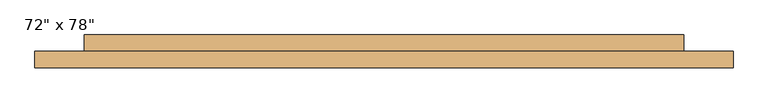
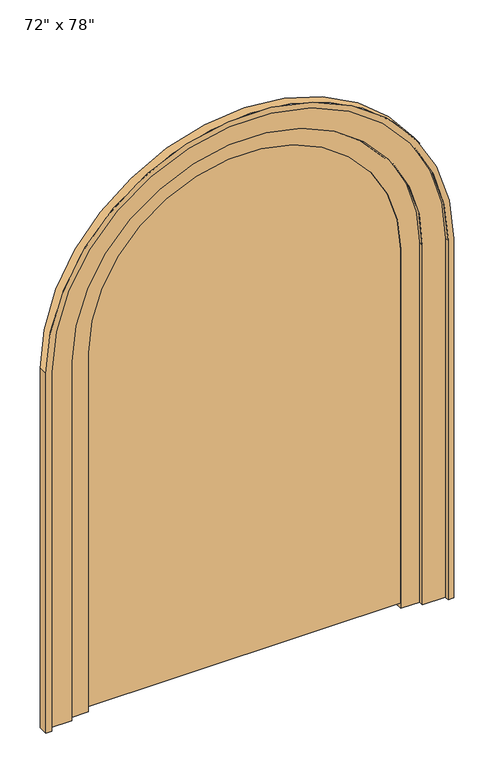
"""IFC4 building model written with IfcOpenShell, lengths in millimetres: door geometry."""

from ifc_helpers import new_model, si_unit, point, frame, frame_2d, origin, place, context, project, spatial, polyline, circle_curve, trimmed, segment, composite_curve, outline, extrude, source, transform, mapped, element, save
from ifc_brep_helpers import plane_surface, cylinder_surface, revolved_surface, advanced_brep


def door_73fd6169(model_context):
    return source(origin(), model_context, "Body", "SolidModel", [
        advanced_brep(
        [(-1064.4, -150.0, 0.0), (-914.4, -150.0, 0.0), (-914.4, -175.0, 0.0), (-1034.4, -175.0, 0.0), (-1034.4, -200.0, 0.0), (-1064.4, -200.0, 0.0), (-1064.4, -200.0, 1981.2), (-1064.4, -150.0, 1981.2), (-1034.4, -200.0, 1981.2), (1034.4, -200.0, 1981.2), (1034.4, -200.0, 0.0), (1064.4, -200.0, 0.0), (1064.4, -200.0, 1981.2), (-1034.4, -175.0, 1981.2), (-914.4, -175.0, 1981.2), (914.4, -175.0, 1981.2), (914.4, -175.0, 0.0), (1034.4, -175.0, 0.0), (1034.4, -175.0, 1981.2), (-914.4, -150.0, 1981.2), (1064.4, -150.0, 1981.2), (1064.4, -150.0, 0.0), (914.4, -150.0, 0.0), (914.4, -150.0, 1981.2)],
        [
            (0, 1),
            (1, 2),
            (2, 3),
            (3, 4),
            (4, 5),
            (5, 0),
            (5, 6),
            (6, 7),
            (7, 0),
            (4, 8),
            (8, 9, circle_curve(frame((0.0, -200.0, 1981.2), z_axis=(0.0, 1.0, 0.0), x_axis=(-1.0, 0.0, 0.0)), 1034.4)),
            (9, 10),
            (10, 11),
            (11, 12),
            (12, 6, circle_curve(frame((0.0, -200.0, 1981.2), z_axis=(0.0, -1.0, 0.0), x_axis=(-1.0, 0.0, 0.0)), 1064.4)),
            (3, 13),
            (13, 8),
            (2, 14),
            (14, 15, circle_curve(frame((0.0, -175.0, 1981.2), z_axis=(0.0, 1.0, 0.0), x_axis=(-1.0, 0.0, 0.0)), 914.4)),
            (15, 16),
            (16, 17),
            (17, 18),
            (18, 13, circle_curve(frame((0.0, -175.0, 1981.2), z_axis=(0.0, -1.0, 0.0), x_axis=(-1.0, 0.0, 0.0)), 1034.4)),
            (1, 19),
            (19, 14),
            (7, 20, circle_curve(frame((0.0, -150.0, 1981.2), z_axis=(0.0, 1.0, 0.0), x_axis=(-1.0, 0.0, 0.0)), 1064.4)),
            (20, 21),
            (21, 22),
            (22, 23),
            (23, 19, circle_curve(frame((0.0, -150.0, 1981.2), z_axis=(0.0, -1.0, 0.0), x_axis=(-1.0, 0.0, 0.0)), 914.4)),
            (11, 21),
            (20, 12),
            (10, 17),
            (16, 22),
            (9, 18),
            (15, 23),
        ],
        [
            plane_surface(frame((-914.4, -150.0, 0.0), z_axis=(0.0, 0.0, -1.0), x_axis=(-1.0, 0.0, 0.0))),
            plane_surface(frame((-1064.4, -150.0, 0.0), z_axis=(-1.0, 0.0, 0.0), x_axis=(0.0, 0.0, 1.0))),
            plane_surface(frame((-1064.4, -200.0, 0.0), z_axis=(0.0, -1.0, 0.0), x_axis=(0.0, 0.0, 1.0))),
            plane_surface(frame((-1034.4, -200.0, 0.0), z_axis=(1.0, 0.0, 0.0), x_axis=(0.0, 0.0, 1.0))),
            plane_surface(frame((-1034.4, -175.0, 0.0), z_axis=(0.0, -1.0, 0.0), x_axis=(0.0, 0.0, 1.0))),
            plane_surface(frame((-914.4, -175.0, 0.0), z_axis=(1.0, 0.0, 0.0), x_axis=(0.0, 0.0, 1.0))),
            plane_surface(frame((-914.4, -150.0, 0.0), z_axis=(0.0, 1.0, 0.0), x_axis=(0.0, 0.0, 1.0))),
            plane_surface(frame((1064.4, -150.0, 1981.2), z_axis=(1.0, 0.0, 0.0), x_axis=(0.0, 0.0, -1.0))),
            plane_surface(frame((914.4, -150.0, 0.0), z_axis=(0.0, 0.0, -1.0), x_axis=(1.0, 0.0, 0.0))),
            plane_surface(frame((1034.4, -200.0, 1981.2), z_axis=(-1.0, 0.0, 0.0), x_axis=(0.0, 0.0, -1.0))),
            plane_surface(frame((914.4, -175.0, 1981.2), z_axis=(-1.0, 0.0, 0.0), x_axis=(0.0, 0.0, -1.0))),
            cylinder_surface(frame((0.0, -150.0, 1981.2), z_axis=(0.0, -1.0, 0.0), x_axis=(-1.0, 0.0, 0.0)), 1064.4),
            revolved_surface(polyline([(-1034.4, -200.0, 1981.2), (-1034.4, -175.0, 1981.2)]), (0.0, -150.0, 1981.2), (0.0, -1.0, 0.0)),
            revolved_surface(polyline([(-914.4, -175.0, 1981.2), (-914.4, -150.0, 1981.2)]), (0.0, -150.0, 1981.2), (0.0, -1.0, 0.0)),
        ],
        [
            (0, [[1, 2, 3, 4, 5, 6]]),
            (1, [[7, 8, 9, -6]]),
            (2, [[10, 11, 12, 13, 14, 15, -7, -5]]),
            (3, [[16, 17, -10, -4]]),
            (4, [[18, 19, 20, 21, 22, 23, -16, -3]]),
            (5, [[24, 25, -18, -2]]),
            (6, [[-9, 26, 27, 28, 29, 30, -24, -1]]),
            (7, [[-14, 31, -27, 32]]),
            (8, [[-31, -13, 33, -21, 34, -28]]),
            (9, [[-22, -33, -12, 35]]),
            (10, [[-29, -34, -20, 36]]),
            (11, [[-32, -26, -8, -15]]),
            (12, [[-35, -11, -17, -23]]),
            (13, [[-36, -19, -25, -30]]),
        ],
    ),
        extrude(outline(composite_curve([segment(polyline([(0.0, 814.4), (0.0, 914.4), (1981.2, 914.4)]), True, "CONTINUOUS"), segment(trimmed(circle_curve(frame_2d((1981.2, 0.0)), 914.4), [point((1981.2, 914.4))], [point((1981.2, -914.4))], False, "CARTESIAN"), True, "CONTINUOUS"), segment(polyline([(1981.2, -914.4), (0.0, -914.4), (0.0, -814.4), (1981.2, -814.4)]), True, "CONTINUOUS"), segment(trimmed(circle_curve(frame_2d((1981.2, 0.0)), 814.4), [point((1981.2, -814.4))], [point((1981.2, 814.4))], True, "CARTESIAN"), True, "CONTINUOUS"), segment(polyline([(1981.2, 814.4), (0.0, 814.4)]), True, "CONTINUOUS")], self_intersect=False)), frame((0.0, -150.0, 0.0), z_axis=(0.0, 1.0, 0.0), x_axis=(0.0, 0.0, 1.0)), (0.0, 0.0, 1.0), 50.0),
        extrude(outline(composite_curve([segment(trimmed(circle_curve(frame_2d((1981.2, 0.0)), 904.4), [point((1981.2, 904.4))], [point((1981.2, -904.4))], False, "CARTESIAN"), True, "CONTINUOUS"), segment(polyline([(1981.2, -904.4), (30.0, -904.4), (30.0, 904.4), (1981.2, 904.4)]), True, "CONTINUOUS")], self_intersect=False)), frame((0.0, -150.0, 0.0), z_axis=(0.0, 1.0, 0.0), x_axis=(0.0, 0.0, 1.0)), (0.0, 0.0, 1.0), 30.0),
    ])


if __name__ == "__main__":
    model = new_model("IFC4")
    model_context = context("Model", 3, world=origin())
    ifc_project = project(units=[si_unit("LENGTHUNIT", "METRE", prefix="MILLI")], contexts=[model_context])
    site = spatial("IfcSite", under=ifc_project)
    building = spatial("IfcBuilding", under=site)
    placement = place(None, origin())
    door_shape = door_73fd6169(model_context)
    element("IfcDoor", 1, ObjectType="72\" x 78\"", at=placement, inside=building, context=model_context, shape_type="MappedRepresentation", body=[
        mapped(door_shape, transform((0.0, 0.0, 0.0), x_axis=(1.0, 0.0, 0.0), y_axis=(0.0, 1.0, 0.0), z_axis=(0.0, 0.0, 1.0))),
    ])
    save(model, "model.ifc")
